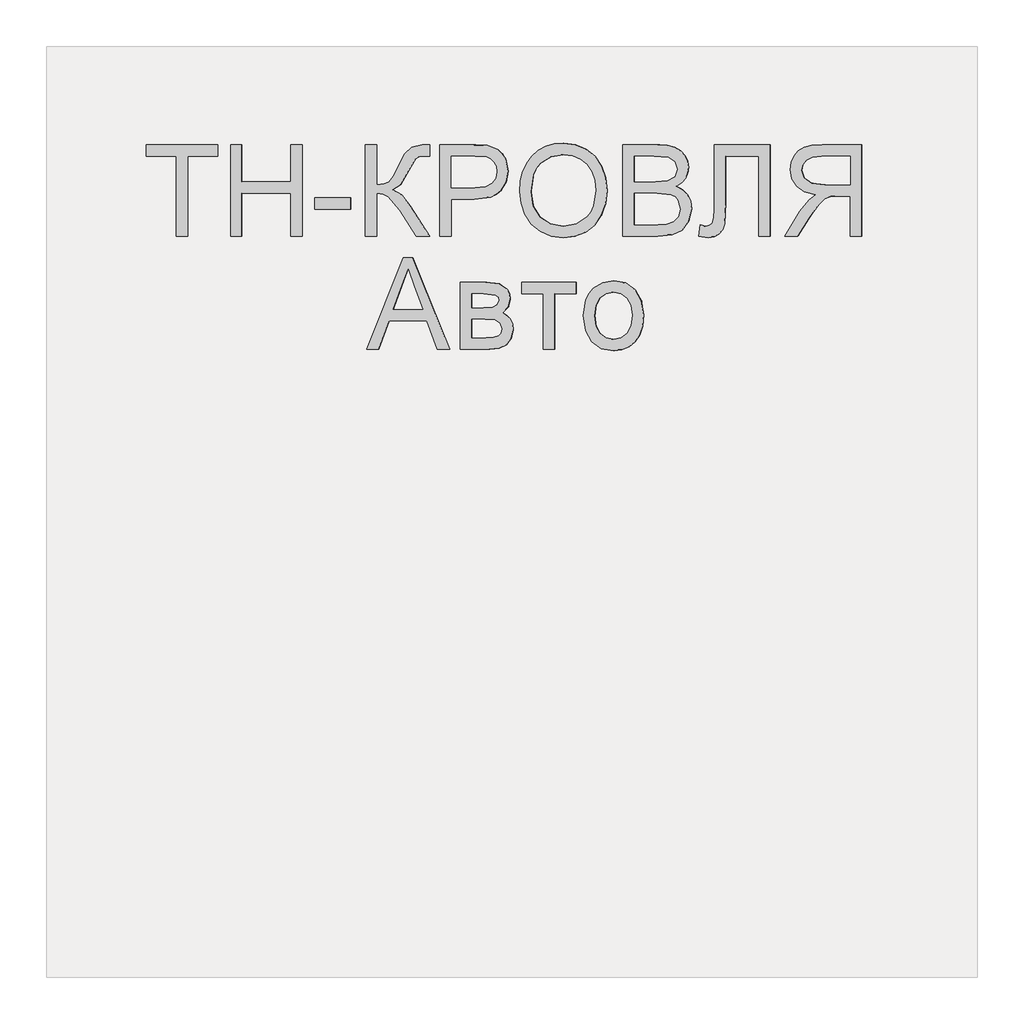
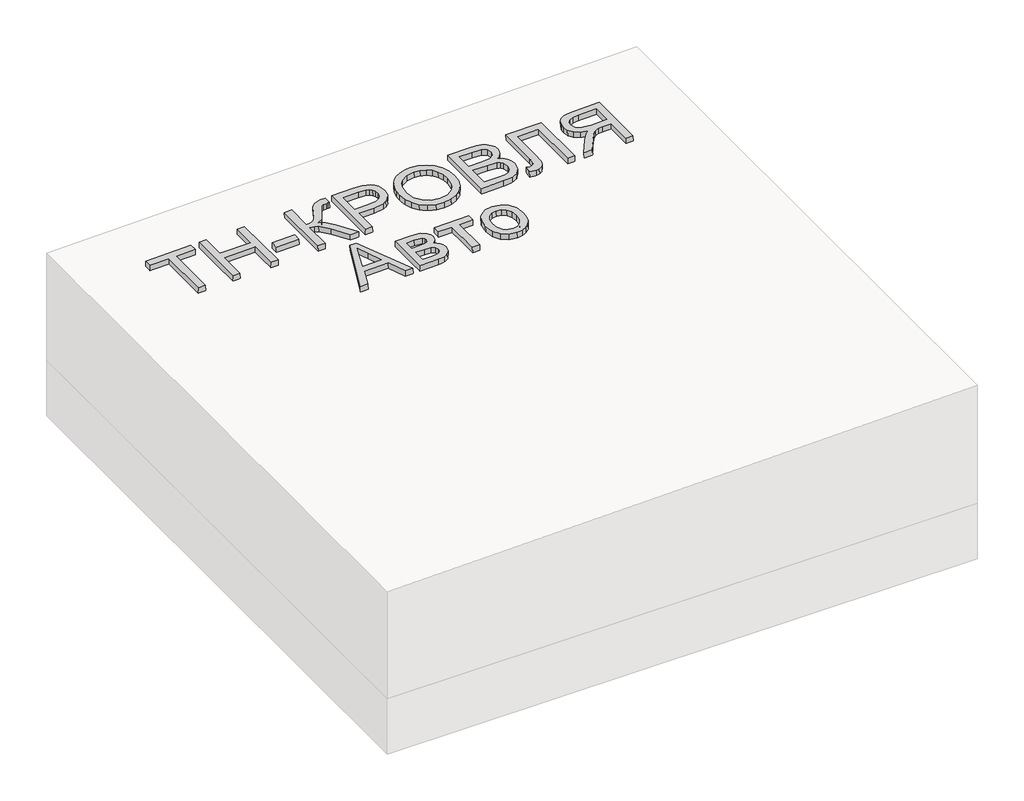
# One storey, part 3 of 3: 1 proxy.
"""IFC4 building model written with IfcOpenShell, lengths in millimetres."""

from ifc_helpers import new_model, si_unit, frame, origin, place, context, project, spatial, polyline, outline, extrude, element, save

model = new_model("IFC4")

# Units and contexts
model_context = context("Model", 3, world=origin())
ifc_project = project(units=[si_unit("LENGTHUNIT", "METRE", prefix="MILLI")], contexts=[model_context])

# Site, building, storey
site = spatial("IfcSite", under=ifc_project)
building = spatial("IfcBuilding", under=site)
storey = spatial("IfcBuildingStorey", under=building, Elevation=0.0)

# Proxy
placement = place(None, origin())
element("IfcBuildingElementProxy", 1, Name="Generic Models", at=placement, inside=storey, context=model_context, shape_type="SweptSolid", body=[
    extrude(outline(polyline([(24.6153846, 0.0), (24.6153846, -172.3076923), (89.2307693, -172.3076923), (89.2307693, -196.9230769), (-64.6153846, -196.9230769), (-64.6153846, -172.3076923), (0.0, -172.3076923), (0.0, 0.0), (24.6153846, 0.0)])), frame((31009.7614122, -4710.2316754, 389.0673163), z_axis=(-0.01999600119956399, 0.0, 0.9998000599800078), x_axis=(-0.9998000599800078, 0.0, -0.01999600119956399)), (0.0, 0.0, 1.0), 20.0),
    extrude(outline(polyline([(24.6153846, 0.0), (24.6153846, -196.9230769), (0.0, -196.9230769), (0.0, -116.9230769), (-104.6153846, -116.9230769), (-104.6153846, -196.9230769), (-129.2307692, -196.9230769), (-129.2307692, 0.0), (-104.6153846, 0.0), (-104.6153846, -92.3076923), (0.0, -92.3076923), (0.0, 0.0), (24.6153846, 0.0)])), frame((31126.6611115, -4710.2316754, 391.4053103), z_axis=(-0.01999600119956399, 0.0, 0.9998000599800078), x_axis=(-0.9998000599800078, 0.0, -0.01999600119956399)), (0.0, 0.0, 1.0), 20.0),
    extrude(outline(polyline([(76.9230769, 0.0), (76.9230769, -24.6153846), (0.0, -24.6153846), (0.0, 0.0), (76.9230769, 0.0)])), frame((31360.4605101, -4651.7701369, 396.0812983), z_axis=(-0.01999600119956399, 0.0, 0.9998000599800078), x_axis=(-0.9998000599800078, 0.0, -0.01999600119956399)), (0.0, 0.0, 1.0), 20.0),
    extrude(outline(polyline([(196.9230769, 0.0), (196.9230769, -24.6153846), (110.7692308, -24.6153846), (112.3978365, -41.280048), (117.2836538, -52.1394231), (128.7800481, -60.9194711), (150.2403846, -71.3461539), (177.7644231, -84.9278846), (191.3942308, -100.3125), (196.9230769, -122.3076923), (196.6346154, -138.4615385), (172.0192308, -138.4615385), (172.1634615, -133.0288462), (172.3076923, -127.5961539), (170.8293269, -116.3221153), (166.3942308, -108.3653846), (141.0576923, -93.75), (110.1923077, -76.3221153), (100.0, -59.326923), (88.8701923, -78.329327), (65.6730769, -97.0673077), (0.0, -138.4615385), (0.0, -109.9038462), (55.4807692, -74.9038462), (84.4471154, -50.2644231), (90.3425481, -38.8882211), (92.3076923, -24.6153846), (0.0, -24.6153846), (0.0, 0.0), (196.9230769, 0.0)])), frame((31391.2235889, -4710.2316754, 396.6965599), z_axis=(-0.019996001199563986, 0.0, 0.9998000599800078), x_axis=(0.0, 1.0, 0.0)), (0.0, 0.0, 1.0), 20.0),
    extrude(outline(polyline([(24.6153846, 0.0), (24.6153846, -196.9230769), (-48.3653847, -196.9230769), (-77.7884615, -195.0480769), (-101.7067307, -185.8413461), (-110.4026442, -177.6802885), (-117.2115385, -166.8028846), (-123.0769231, -139.9519231), (-119.1165866, -116.7427885), (-107.235577, -97.4038461), (-97.7208534, -89.7896635), (-85.0180289, -84.3509615), (-50.0480769, -80.0), (0.0, -80.0), (0.0, 0.0), (24.6153846, 0.0)]), holes=[polyline([(0.0, -104.6153846), (-51.4903846, -104.6153846), (-73.3173077, -106.875), (-87.7403846, -113.6538461), (-95.78125, -124.53125), (-98.4615385, -139.0865385), (-96.8810096, -150.1442308), (-92.1394231, -159.4711538), (-84.8257212, -166.4903846), (-75.5288461, -170.625), (-50.9134615, -172.3076923), (0.0, -172.3076923), (0.0, -104.6153846)])]), frame((31575.8020615, -4710.2316754, 400.3881293), z_axis=(-0.01999600119956399, 0.0, 0.9998000599800078), x_axis=(-0.9998000599800078, 0.0, -0.01999600119956399)), (0.0, 0.0, 1.0), 20.0),
    extrude(outline(polyline([(25.3428445, 0.0), (48.1160484, -4.1938573), (67.8912361, -11.3545773), (84.6684074, -21.48216), (98.4475626, -34.5766053), (108.9049086, -49.9093782), (115.7166524, -66.7519434), (118.8827941, -85.1043011), (118.4033337, -104.9664512), (112.3116986, -130.2760814), (100.0658902, -152.2136344), (82.4868293, -169.6009171), (60.3954366, -181.2597367), (34.812491, -187.0380147), (6.7587717, -186.7836729), (-21.0136463, -180.6528553), (-44.9882084, -168.8870737), (-63.9421568, -152.1247694), (-76.6527338, -131.0043835), (-83.1347827, -107.1750808), (-83.4031474, -82.286026), (-77.165962, -56.5935492), (-64.600884, -34.5586152), (-46.7404789, -17.2511252), (-24.6173127, -5.740981), (0.0, 0.0), (25.3428445, 0.0)]), holes=[polyline([(22.3721769, -24.4366544), (-8.7890431, -25.9094147), (-33.7562618, -37.9787802), (-50.9832576, -58.3865326), (-58.9238091, -84.8744541), (-57.0179297, -112.8610054), (-44.5775814, -136.6179285), (-34.5460353, -146.3414541), (-22.1589797, -153.8699216), (9.6816594, -162.341683), (31.570013, -162.6815636), (50.9840871, -158.5364567), (67.4340475, -150.0149318), (80.43006, -137.2255581), (89.4380632, -121.0520253), (93.9239955, -102.3780231), (92.2935561, -75.5530127), (81.0850249, -51.6494364), (71.4163804, -41.5325654), (58.4080243, -33.6248113), (22.3721769, -24.4366544)])]), frame((31726.2767773, -4639.5525889, 403.3976236), z_axis=(-0.01999600119956399, 0.0, 0.9998000599800078), x_axis=(-0.11095588221402983, 0.9938228553011785, -0.0022191176442765653)), (0.0, 0.0, 1.0), 20.0),
    extrude(outline(polyline([(74.5673077, 0.0), (74.5673077, -196.9230769), (-0.5769232, -196.9230769), (-21.2439904, -195.4747596), (-37.3798077, -191.1298077), (-49.7475962, -183.7800481), (-59.110577, -173.3173077), (-65.0060097, -161.0096154), (-66.9711539, -148.125), (-65.3185097, -136.2680288), (-60.360577, -125.1201923), (-52.0612981, -115.3665865), (-40.3846154, -107.6923077), (-54.3329327, -100.4086538), (-64.6394231, -89.3269231), (-71.0036058, -75.1802885), (-73.125, -58.7019231), (-67.3317308, -32.2355769), (-52.9807693, -13.3894231), (-31.5625, -3.3894231), (0.0, 0.0), (74.5673077, 0.0)]), holes=[polyline([(49.9519231, -116.9230769), (5.0, -116.9230769), (-21.25, -119.0384615), (-37.0432692, -128.1490385), (-42.3557693, -144.1826923), (-37.4038462, -160.2403846), (-23.2211538, -169.7355769), (8.4134615, -172.3076923), (49.9519231, -172.3076923), (49.9519231, -116.9230769)]), polyline([(49.9519231, -24.6153846), (-0.5288462, -24.6153846), (-18.798077, -25.5769231), (-34.2548077, -30.9375), (-44.4951924, -41.875), (-48.5096154, -58.4615385), (-43.798077, -77.5961538), (-37.626202, -84.5132211), (-28.5336539, -89.0144231), (1.875, -92.3076923), (49.9519231, -92.3076923), (49.9519231, -24.6153846)])]), frame((32019.5114054, -4710.2316754, 409.2623162), z_axis=(-0.019996001199563986, 0.0, 0.9998000599800078), x_axis=(-0.9998000599800078, 0.0, -0.019996001199563986)), (0.0, 0.0, 1.0), 20.0),
    extrude(outline(polyline([(137.6442308, 0.0), (137.6442308, -120.0), (-59.2788461, -120.0), (-59.2788461, -95.3846153), (113.0288462, -95.3846153), (113.0288462, -24.6153846), (12.548077, -24.6153846), (-32.2836538, -21.7548077), (-44.951923, -17.3257211), (-54.4471153, -9.7596153), (-60.3786057, 0.6009616), (-62.3557692, 13.4134616), (-59.2788461, 33.8461539), (-34.6634615, 30.7692308), (-37.7403846, 18.9903846), (-36.0877403, 10.6670674), (-31.1298076, 4.7355769), (-20.0420673, 1.1838943), (0.0, 0.0), (137.6442308, 0.0)])), frame((32141.8427109, -4650.9528293, 411.7089423), z_axis=(-0.019996001199563986, 0.0, 0.9998000599800078), x_axis=(0.0, 1.0, 0.0)), (0.0, 0.0, 1.0), 20.0),
    extrude(outline(polyline([(24.6153846, -110.7692308), (0.0, -110.7692308), (0.0, -24.6153847), (-29.7115385, -24.6153847), (-43.9903846, -25.4807693), (-55.6971154, -30.1682693), (-68.7019232, -42.9326923), (-87.2115385, -69.9519231), (-112.8365385, -110.7692308), (-141.4423078, -110.7692308), (-108.6057692, -57.4038462), (-88.6538462, -32.0673077), (-74.6634616, -21.5384616), (-98.9122596, -15.0120193), (-115.8894231, -3.2211539), (-125.8954327, 12.8605769), (-129.2307693, 32.2596153), (-127.2175481, 47.8545673), (-121.1778847, 62.0432692), (-111.766827, 73.4855769), (-99.6394231, 80.8413461), (-83.0468751, 84.8257211), (-60.2403847, 86.1538461), (24.6153846, 86.1538461), (24.6153846, -110.7692308)]), holes=[polyline([(0.0, 0.0), (0.0, 61.5384615), (-61.2980769, 61.5384615), (-80.7752404, 59.4110577), (-94.2067308, 53.0288461), (-102.0132212, 43.3533653), (-104.6153847, 31.3461538), (-99.1586539, 14.639423), (-83.1971154, 3.4855769), (-55.0961539, 0.0), (0.0, 0.0)])]), frame((32434.0919592, -4599.4624446, 417.5539273), z_axis=(-0.01999600119956399, 0.0, 0.9998000599800078), x_axis=(0.9998000599800078, 0.0, 0.01999600119956399)), (0.0, 0.0, 1.0), 20.0),
    extrude(outline(polyline([(26.0096154, 0.0), (-52.5961539, -196.9230769), (-73.5576923, -196.9230769), (-152.1634616, 0.0), (-126.1538462, 0.0), (-103.6057692, -61.5384616), (-22.5, -61.5384616), (0.0, 0.0), (26.0096154, 0.0)]), holes=[polyline([(-31.5384616, -86.1538462), (-94.6153846, -86.1538462), (-76.875, -134.5673077), (-63.0769231, -172.3076923), (-50.8173077, -138.7980769), (-31.5384616, -86.1538462)])]), frame((31420.4485137, -4953.3085985, 397.2810584), z_axis=(-0.019996001199563986, 0.0, 0.9998000599800078), x_axis=(-0.9998000599800078, 0.0, -0.019996001199563986)), (0.0, 0.0, 1.0), 20.0),
    extrude(outline(polyline([(144.6153846, 0.0), (144.6153846, -54.2307692), (141.3221154, -83.9663461), (129.2548077, -100.6971154), (119.609375, -105.9435096), (108.2211539, -107.6923077), (91.1298077, -103.4615385), (78.9423077, -90.7211539), (73.828125, -99.8317308), (65.6009616, -107.2596154), (54.9098558, -112.1995193), (42.4038462, -113.8461539), (23.6418269, -109.6754808), (10.4326923, -99.7596154), (2.6081731, -84.0625001), (0.0, -62.548077), (0.0, 0.0), (144.6153846, 0.0)]), holes=[polyline([(24.6153846, -24.6153846), (24.6153846, -54.8076923), (25.7271635, -71.2620192), (29.0625, -81.5865385), (35.1262019, -87.1274039), (44.4230769, -89.2307692), (56.2740385, -85.0240385), (63.1730769, -74.0625001), (64.6153846, -52.4038461), (64.6153846, -24.6153846), (24.6153846, -24.6153846)]), polyline([(89.2307692, -24.6153846), (89.2307692, -48.9423077), (90.4807692, -69.014423), (95.4807692, -78.7740385), (104.5192308, -83.0769231), (111.8629808, -81.1899038), (116.5865385, -75.5288461), (120.0, -49.7115384), (120.0, -24.6153846), (89.2307692, -24.6153846)])]), frame((31595.7980627, -4953.3085985, 400.7880494), z_axis=(-0.019996001199563986, 0.0, 0.9998000599800078), x_axis=(0.0, 1.0, 0.0)), (0.0, 0.0, 1.0), 20.0),
    extrude(outline(polyline([(24.6153846, 0.0), (24.6153846, -116.9230769), (0.0, -116.9230769), (0.0, -70.7692308), (-120.0, -70.7692308), (-120.0, -46.1538462), (0.0, -46.1538462), (0.0, 0.0), (24.6153846, 0.0)])), frame((31728.0793014, -4833.3085985, 403.4336741), z_axis=(-0.019996001199563986, 0.0, 0.9998000599800078), x_axis=(0.0, 1.0, 0.0)), (0.0, 0.0, 1.0), 20.0),
    extrude(outline(polyline([(32.567166, 0.0), (66.3756558, -10.0548095), (78.8838583, -18.5052064), (88.4613657, -29.2375981), (97.6493261, -50.4330578), (98.3741514, -74.3884679), (90.0009116, -99.3354124), (72.6856708, -117.7907263), (47.8333955, -128.0195983), (16.8490523, -128.2872164), (-7.510343, -122.9013503), (-25.441205, -114.3768481), (-38.1401425, -102.7240242), (-46.8037641, -87.9531932), (-51.1686244, -71.2292642), (-50.9712784, -53.7171463), (-42.5730516, -28.4581812), (-25.3146823, -10.019263), (0.0, 0.0), (32.567166, 0.0)]), holes=[polyline([(29.2398792, -24.3895189), (6.7820621, -24.156784), (-10.1111098, -30.4456966), (-21.2858449, -41.8821547), (-26.588351, -57.0920559), (-25.5887935, -73.1014407), (-17.8837037, -87.1268409), (-3.1255027, -97.7967093), (19.0333893, -103.7394986), (40.8507691, -103.8653881), (57.5370536, -97.4932375), (68.7109647, -86.0627322), (73.9912241, -71.0135582), (73.0313183, -54.9368589), (65.4188174, -40.9000065), (50.9046835, -30.2639203), (29.2398792, -24.3895189)])]), frame((31864.8247916, -4913.2605216, 406.1685839), z_axis=(-0.01999600119956399, 0.0, 0.9998000599800079), x_axis=(-0.13707829158736495, 0.9905564223164067, -0.002741565831742323)), (0.0, 0.0, 1.0), 20.0),
])

save(model, "model.ifc")
